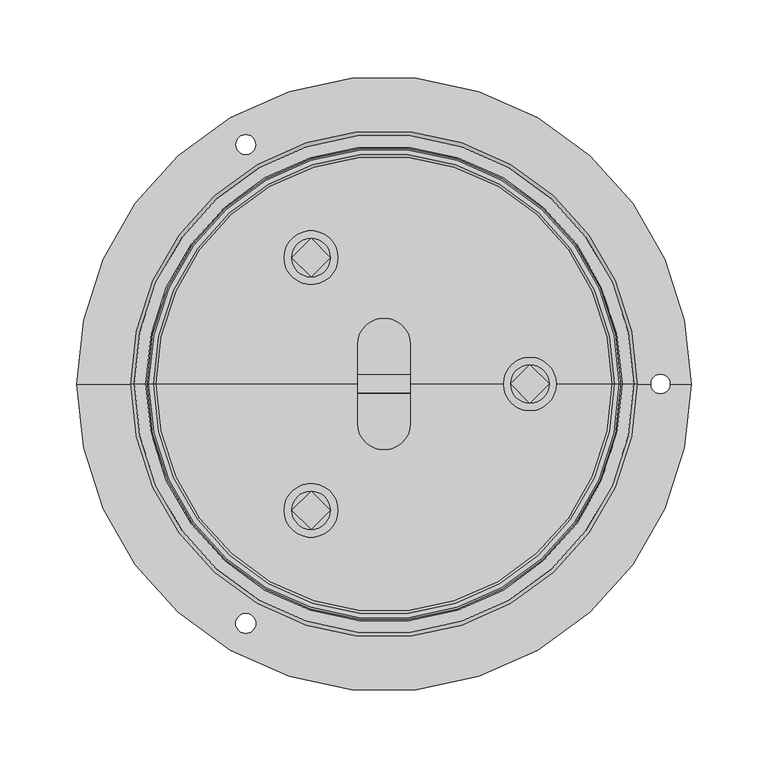
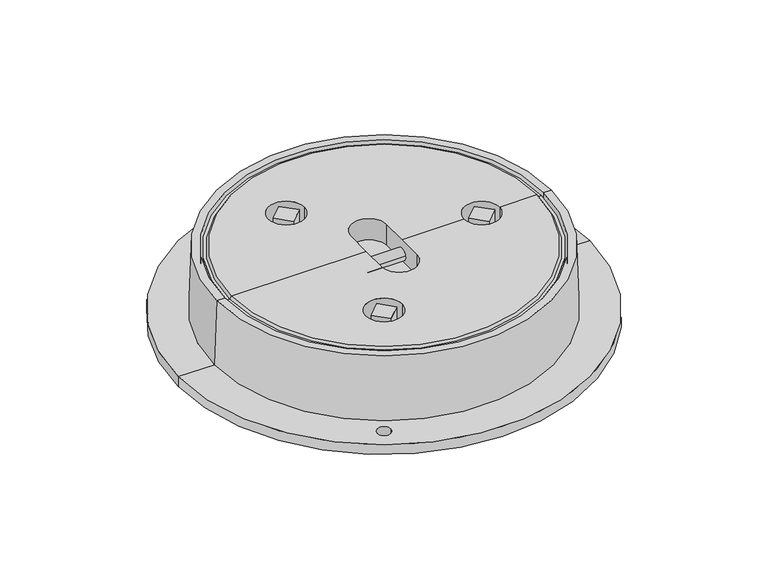
"""IFC4 building model written with IfcOpenShell, lengths in millimetres: sanitary terminal geometry."""

from ifc_helpers import new_model, si_unit, frame, origin, place, context, project, spatial, polyline, circle_curve, source, transform, mapped, element, save
from ifc_brep_helpers import plane_surface, cylinder_surface, revolved_surface, advanced_brep


def sanitary_terminal_eba70a3d(model_context):
    return source(origin(), model_context, "Body", "AdvancedBrep", [
        advanced_brep(
        [(95.0, 12.5056811, -1.0), (82.4943189, 0.0, -1.0), (95.0, -12.5056811, -1.0), (107.5056811, 0.0, -1.0), (95.0, 12.5056811, -16.0), (82.4943189, 0.0, -16.0), (95.0, -12.5056811, -16.0), (107.5056811, 0.0, -16.0), (107.5056811, 0.0, -20.0), (82.4943189, 0.0, -20.0), (106.9705935, 0.0, -20.0), (83.0294065, 0.0, -20.0), (106.9705935, 0.0, -22.0), (83.0294065, 0.0, -22.0), (103.0, 0.0, -22.0), (87.0, 0.0, -22.0), (103.0, 0.0, -76.0), (87.0, 0.0, -76.0)],
        [
            (0, 1),
            (1, 2),
            (2, 3),
            (3, 0),
            (0, 4),
            (4, 5),
            (5, 1),
            (5, 6),
            (6, 2),
            (6, 7),
            (7, 3),
            (7, 4),
            (7, 4, circle_curve(frame((95.0, 0.0, -16.0), z_axis=(0.0, 0.0, 1.0), x_axis=(-1.0, 0.0, 0.0)), 12.5056811)),
            (4, 5, circle_curve(frame((95.0, 0.0, -16.0), z_axis=(0.0, 0.0, 1.0), x_axis=(-1.0, 0.0, 0.0)), 12.5056811)),
            (5, 6, circle_curve(frame((95.0, 0.0, -16.0), z_axis=(0.0, 0.0, 1.0), x_axis=(-1.0, 0.0, 0.0)), 12.5056811)),
            (6, 7, circle_curve(frame((95.0, 0.0, -16.0), z_axis=(0.0, 0.0, 1.0), x_axis=(-1.0, 0.0, 0.0)), 12.5056811)),
            (8, 9, circle_curve(frame((95.0, 0.0, -20.0), z_axis=(0.0, 0.0, -1.0), x_axis=(-1.0, 0.0, 0.0)), 12.5056811)),
            (9, 8, circle_curve(frame((95.0, 0.0, -20.0), z_axis=(0.0, 0.0, -1.0), x_axis=(-1.0, 0.0, 0.0)), 12.5056811)),
            (10, 11, circle_curve(frame((95.0, 0.0, -20.0), z_axis=(0.0, 0.0, 1.0), x_axis=(-1.0, 0.0, 0.0)), 11.9705935)),
            (11, 10, circle_curve(frame((95.0, 0.0, -20.0), z_axis=(0.0, 0.0, 1.0), x_axis=(-1.0, 0.0, 0.0)), 11.9705935)),
            (9, 5),
            (7, 8),
            (12, 13, circle_curve(frame((95.0, 0.0, -22.0), z_axis=(0.0, 0.0, -1.0), x_axis=(-1.0, 0.0, 0.0)), 11.9705935)),
            (13, 12, circle_curve(frame((95.0, 0.0, -22.0), z_axis=(0.0, 0.0, -1.0), x_axis=(-1.0, 0.0, 0.0)), 11.9705935)),
            (14, 15, circle_curve(frame((95.0, 0.0, -22.0), z_axis=(0.0, 0.0, 1.0), x_axis=(-1.0, 0.0, 0.0)), 8.0)),
            (15, 14, circle_curve(frame((95.0, 0.0, -22.0), z_axis=(0.0, 0.0, 1.0), x_axis=(-1.0, 0.0, 0.0)), 8.0)),
            (13, 11),
            (10, 12),
            (16, 17, circle_curve(frame((95.0, 0.0, -76.0), z_axis=(0.0, 0.0, -1.0), x_axis=(-1.0, 0.0, 0.0)), 8.0)),
            (17, 16, circle_curve(frame((95.0, 0.0, -76.0), z_axis=(0.0, 0.0, -1.0), x_axis=(-1.0, 0.0, 0.0)), 8.0)),
            (17, 15),
            (14, 16),
        ],
        [
            plane_surface(frame((82.4943189, 0.0, -1.0), z_axis=(0.0, 0.0, 1.0), x_axis=(-0.7071067811865482, -0.7071067811865469, 0.0))),
            plane_surface(frame((95.0, 12.5056811, -1.0), z_axis=(-0.7071067811865469, 0.7071067811865482, 0.0), x_axis=(0.0, 0.0, -1.0))),
            plane_surface(frame((82.4943189, 0.0, -1.0), z_axis=(-0.707106781186549, -0.7071067811865461, 0.0), x_axis=(0.0, 0.0, -1.0))),
            plane_surface(frame((95.0, -12.5056811, -1.0), z_axis=(0.7071067811865469, -0.7071067811865482, 0.0), x_axis=(0.0, 0.0, -1.0))),
            plane_surface(frame((107.5056811, 0.0, -1.0), z_axis=(0.707106781186549, 0.7071067811865461, 0.0), x_axis=(0.0, 0.0, -1.0))),
            plane_surface(frame((82.4943189, 0.0, -16.0), z_axis=(0.0, 0.0, 1.0), x_axis=(0.0, -1.0, 0.0))),
            plane_surface(frame((82.4943189, 0.0, -20.0), z_axis=(0.0, 0.0, -1.0), x_axis=(0.0, 1.0, 0.0))),
            cylinder_surface(frame((95.0, 0.0, -20.0), z_axis=(0.0, 0.0, 1.0), x_axis=(-1.0, 0.0, 0.0)), 12.5056811),
            plane_surface(frame((83.0294065, 0.0, -22.0), z_axis=(0.0, 0.0, -1.0), x_axis=(0.0, 1.0, 0.0))),
            cylinder_surface(frame((95.0, 0.0, -22.0), z_axis=(0.0, 0.0, 1.0), x_axis=(-1.0, 0.0, 0.0)), 11.9705935),
            plane_surface(frame((87.0, 0.0, -76.0), z_axis=(0.0, 0.0, -1.0), x_axis=(0.0, 1.0, 0.0))),
            cylinder_surface(frame((95.0, 0.0, -76.0), z_axis=(0.0, 0.0, 1.0), x_axis=(-1.0, 0.0, 0.0)), 8.0),
        ],
        [
            (0, [[1, 2, 3, 4]]),
            (1, [[-1, 5, 6, 7]]),
            (2, [[-2, -7, 8, 9]]),
            (3, [[-3, -9, 10, 11]]),
            (4, [[-4, -11, 12, -5]]),
            (5, [[13, -12]]),
            (5, [[14, -6]]),
            (5, [[15, -8]]),
            (5, [[16, -10]]),
            (6, [[17, 18], [19, 20]]),
            (7, [[-18, 21, -14, -13, 22]]),
            (7, [[-17, -22, -16, -15, -21]]),
            (8, [[23, 24], [25, 26]]),
            (9, [[-24, 27, -19, 28]]),
            (9, [[-23, -28, -20, -27]]),
            (10, [[29, 30]]),
            (11, [[-30, 31, -25, 32]]),
            (11, [[-29, -32, -26, -31]]),
        ],
    ),
        advanced_brep(
        [(-47.4934117, 94.8020696, -1.0), (-60.0230679, 82.2724134, -1.0), (-47.4934117, 69.7427572, -1.0), (-34.9637555, 82.2724134, -1.0), (-47.4934117, 94.8020696, -16.0), (-60.0230679, 82.2724134, -16.0), (-47.4934117, 69.7427572, -16.0), (-34.9637555, 82.2724134, -16.0), (-34.9637555, 82.2724134, -20.0), (-60.0230679, 82.2724134, -20.0), (-35.4746885, 82.2724134, -20.0), (-59.5121348, 82.2724134, -20.0), (-35.4746885, 82.2724134, -22.0), (-59.5121348, 82.2724134, -22.0), (-39.5, 82.2724134, -22.0), (-55.5, 82.2724134, -22.0), (-39.5, 82.2724134, -76.0), (-55.5, 82.2724134, -76.0)],
        [
            (0, 1),
            (1, 2),
            (2, 3),
            (3, 0),
            (0, 4),
            (4, 5),
            (5, 1),
            (5, 6),
            (6, 2),
            (6, 7),
            (7, 3),
            (7, 4),
            (7, 4, circle_curve(frame((-47.4934117, 82.2724134, -16.0), z_axis=(0.0, 0.0, 1.0), x_axis=(-1.0, 0.0, 0.0)), 12.5296562)),
            (4, 5, circle_curve(frame((-47.4934117, 82.2724134, -16.0), z_axis=(0.0, 0.0, 1.0), x_axis=(-1.0, 0.0, 0.0)), 12.5296562)),
            (5, 6, circle_curve(frame((-47.4934117, 82.2724134, -16.0), z_axis=(0.0, 0.0, 1.0), x_axis=(-1.0, 0.0, 0.0)), 12.5296562)),
            (6, 7, circle_curve(frame((-47.4934117, 82.2724134, -16.0), z_axis=(0.0, 0.0, 1.0), x_axis=(-1.0, 0.0, 0.0)), 12.5296562)),
            (8, 9, circle_curve(frame((-47.4934117, 82.2724134, -20.0), z_axis=(0.0, 0.0, -1.0), x_axis=(-1.0, 0.0, 0.0)), 12.5296562)),
            (9, 8, circle_curve(frame((-47.4934117, 82.2724134, -20.0), z_axis=(0.0, 0.0, -1.0), x_axis=(-1.0, 0.0, 0.0)), 12.5296562)),
            (10, 11, circle_curve(frame((-47.4934117, 82.2724134, -20.0), z_axis=(0.0, 0.0, 1.0), x_axis=(-1.0, 0.0, 0.0)), 12.0187231)),
            (11, 10, circle_curve(frame((-47.4934117, 82.2724134, -20.0), z_axis=(0.0, 0.0, 1.0), x_axis=(-1.0, 0.0, 0.0)), 12.0187231)),
            (9, 5),
            (7, 8),
            (12, 13, circle_curve(frame((-47.4934117, 82.2724134, -22.0), z_axis=(0.0, 0.0, -1.0), x_axis=(-1.0, 0.0, 0.0)), 12.0187231)),
            (13, 12, circle_curve(frame((-47.4934117, 82.2724134, -22.0), z_axis=(0.0, 0.0, -1.0), x_axis=(-1.0, 0.0, 0.0)), 12.0187231)),
            (14, 15, circle_curve(frame((-47.5, 82.2724134, -22.0), z_axis=(0.0, 0.0, 1.0), x_axis=(-1.0, 0.0, 0.0)), 8.0)),
            (15, 14, circle_curve(frame((-47.5, 82.2724134, -22.0), z_axis=(0.0, 0.0, 1.0), x_axis=(-1.0, 0.0, 0.0)), 8.0)),
            (13, 11),
            (10, 12),
            (16, 17, circle_curve(frame((-47.5, 82.2724134, -76.0), z_axis=(0.0, 0.0, -1.0), x_axis=(-1.0, 0.0, 0.0)), 8.0)),
            (17, 16, circle_curve(frame((-47.5, 82.2724134, -76.0), z_axis=(0.0, 0.0, -1.0), x_axis=(-1.0, 0.0, 0.0)), 8.0)),
            (17, 15),
            (14, 16),
        ],
        [
            plane_surface(frame((82.4943189, 0.0, -1.0), z_axis=(0.0, 0.0, 1.0), x_axis=(-0.7071067811865482, -0.7071067811865469, 0.0))),
            plane_surface(frame((-47.4934117, 94.8020696, -1.0), z_axis=(-0.707106781186547, 0.707106781186548, 0.0), x_axis=(0.0, 0.0, -1.0))),
            plane_surface(frame((-60.0230679, 82.2724134, -1.0), z_axis=(-0.707106781186549, -0.7071067811865461, 0.0), x_axis=(0.0, 0.0, -1.0))),
            plane_surface(frame((-47.4934117, 69.7427572, -1.0), z_axis=(0.707106781186547, -0.707106781186548, 0.0), x_axis=(0.0, 0.0, -1.0))),
            plane_surface(frame((-34.9637555, 82.2724134, -1.0), z_axis=(0.707106781186549, 0.7071067811865461, 0.0), x_axis=(0.0, 0.0, -1.0))),
            plane_surface(frame((82.4943189, 0.0, -16.0), z_axis=(0.0, 0.0, 1.0), x_axis=(0.0, -1.0, 0.0))),
            plane_surface(frame((82.4943189, 0.0, -20.0), z_axis=(0.0, 0.0, -1.0), x_axis=(0.0, 1.0, 0.0))),
            cylinder_surface(frame((-47.4934117, 82.2724134, -123.0), z_axis=(0.0, 0.0, 1.0), x_axis=(-1.0, 0.0, 0.0)), 12.5296562),
            plane_surface(frame((83.0294065, 0.0, -22.0), z_axis=(0.0, 0.0, -1.0), x_axis=(0.0, 1.0, 0.0))),
            cylinder_surface(frame((-47.4934117, 82.2724134, -123.0), z_axis=(0.0, 0.0, 1.0), x_axis=(-1.0, 0.0, 0.0)), 12.0187231),
            plane_surface(frame((87.0, 0.0, -76.0), z_axis=(0.0, 0.0, -1.0), x_axis=(0.0, 1.0, 0.0))),
            cylinder_surface(frame((-47.5, 82.2724134, -123.0), z_axis=(0.0, 0.0, 1.0), x_axis=(-1.0, 0.0, 0.0)), 8.0),
        ],
        [
            (0, [[1, 2, 3, 4]]),
            (1, [[-1, 5, 6, 7]]),
            (2, [[-2, -7, 8, 9]]),
            (3, [[-3, -9, 10, 11]]),
            (4, [[-4, -11, 12, -5]]),
            (5, [[13, -12]]),
            (5, [[14, -6]]),
            (5, [[15, -8]]),
            (5, [[16, -10]]),
            (6, [[17, 18], [19, 20]]),
            (7, [[-18, 21, -14, -13, 22]]),
            (7, [[-17, -22, -16, -15, -21]]),
            (8, [[23, 24], [25, 26]]),
            (9, [[-24, 27, -19, 28]]),
            (9, [[-23, -28, -20, -27]]),
            (10, [[29, 30]]),
            (11, [[-30, 31, -25, 32]]),
            (11, [[-29, -32, -26, -31]]),
        ],
    ),
        advanced_brep(
        [(-47.5, -69.8146715, -1.0), (-59.9577419, -82.2724134, -1.0), (-47.5, -94.7301552, -1.0), (-35.0422581, -82.2724134, -1.0), (-47.5, -69.8146715, -16.0), (-59.9577419, -82.2724134, -16.0), (-47.5, -94.7301552, -16.0), (-35.0422581, -82.2724134, -16.0), (-35.0422581, -82.2724134, -20.0), (-59.9577419, -82.2724134, -20.0), (-35.48241, -82.2724134, -20.0), (-59.51759, -82.2724134, -20.0), (-35.48241, -82.2724134, -22.0), (-59.51759, -82.2724134, -22.0), (-39.5, -82.2724134, -22.0), (-55.5, -82.2724134, -22.0), (-39.5, -82.2724134, -76.0), (-55.5, -82.2724134, -76.0)],
        [
            (0, 1),
            (1, 2),
            (2, 3),
            (3, 0),
            (0, 4),
            (4, 5),
            (5, 1),
            (5, 6),
            (6, 2),
            (6, 7),
            (7, 3),
            (7, 4),
            (7, 4, circle_curve(frame((-47.5, -82.2724134, -16.0), z_axis=(0.0, 0.0, 1.0), x_axis=(-1.0, 0.0, 0.0)), 12.4577419)),
            (4, 5, circle_curve(frame((-47.5, -82.2724134, -16.0), z_axis=(0.0, 0.0, 1.0), x_axis=(-1.0, 0.0, 0.0)), 12.4577419)),
            (5, 6, circle_curve(frame((-47.5, -82.2724134, -16.0), z_axis=(0.0, 0.0, 1.0), x_axis=(-1.0, 0.0, 0.0)), 12.4577419)),
            (6, 7, circle_curve(frame((-47.5, -82.2724134, -16.0), z_axis=(0.0, 0.0, 1.0), x_axis=(-1.0, 0.0, 0.0)), 12.4577419)),
            (8, 9, circle_curve(frame((-47.5, -82.2724134, -20.0), z_axis=(0.0, 0.0, -1.0), x_axis=(-1.0, 0.0, 0.0)), 12.4577419)),
            (9, 8, circle_curve(frame((-47.5, -82.2724134, -20.0), z_axis=(0.0, 0.0, -1.0), x_axis=(-1.0, 0.0, 0.0)), 12.4577419)),
            (10, 11, circle_curve(frame((-47.5, -82.2724134, -20.0), z_axis=(0.0, 0.0, 1.0), x_axis=(-1.0, 0.0, 0.0)), 12.01759)),
            (11, 10, circle_curve(frame((-47.5, -82.2724134, -20.0), z_axis=(0.0, 0.0, 1.0), x_axis=(-1.0, 0.0, 0.0)), 12.01759)),
            (9, 5),
            (7, 8),
            (12, 13, circle_curve(frame((-47.5, -82.2724134, -22.0), z_axis=(0.0, 0.0, -1.0), x_axis=(-1.0, 0.0, 0.0)), 12.01759)),
            (13, 12, circle_curve(frame((-47.5, -82.2724134, -22.0), z_axis=(0.0, 0.0, -1.0), x_axis=(-1.0, 0.0, 0.0)), 12.01759)),
            (14, 15, circle_curve(frame((-47.5, -82.2724134, -22.0), z_axis=(0.0, 0.0, 1.0), x_axis=(-1.0, 0.0, 0.0)), 8.0)),
            (15, 14, circle_curve(frame((-47.5, -82.2724134, -22.0), z_axis=(0.0, 0.0, 1.0), x_axis=(-1.0, 0.0, 0.0)), 8.0)),
            (13, 11),
            (10, 12),
            (16, 17, circle_curve(frame((-47.5, -82.2724134, -76.0), z_axis=(0.0, 0.0, -1.0), x_axis=(-1.0, 0.0, 0.0)), 8.0)),
            (17, 16, circle_curve(frame((-47.5, -82.2724134, -76.0), z_axis=(0.0, 0.0, -1.0), x_axis=(-1.0, 0.0, 0.0)), 8.0)),
            (17, 15),
            (14, 16),
        ],
        [
            plane_surface(frame((82.4943189, 0.0, -1.0), z_axis=(0.0, 0.0, 1.0), x_axis=(-0.7071067811865482, -0.7071067811865469, 0.0))),
            plane_surface(frame((-47.5, -69.8146715, -1.0), z_axis=(-0.707106781186547, 0.707106781186548, 0.0), x_axis=(0.0, 0.0, -1.0))),
            plane_surface(frame((-59.9577419, -82.2724134, -1.0), z_axis=(-0.707106781186549, -0.7071067811865461, 0.0), x_axis=(0.0, 0.0, -1.0))),
            plane_surface(frame((-47.5, -94.7301552, -1.0), z_axis=(0.707106781186547, -0.707106781186548, 0.0), x_axis=(0.0, 0.0, -1.0))),
            plane_surface(frame((-35.0422581, -82.2724134, -1.0), z_axis=(0.707106781186549, 0.7071067811865461, 0.0), x_axis=(0.0, 0.0, -1.0))),
            plane_surface(frame((82.4943189, 0.0, -16.0), z_axis=(0.0, 0.0, 1.0), x_axis=(0.0, -1.0, 0.0))),
            plane_surface(frame((82.4943189, 0.0, -20.0), z_axis=(0.0, 0.0, -1.0), x_axis=(0.0, 1.0, 0.0))),
            cylinder_surface(frame((-47.5, -82.2724134, -123.0), z_axis=(0.0, 0.0, 1.0), x_axis=(-1.0, 0.0, 0.0)), 12.4577419),
            plane_surface(frame((83.0294065, 0.0, -22.0), z_axis=(0.0, 0.0, -1.0), x_axis=(0.0, 1.0, 0.0))),
            cylinder_surface(frame((-47.5, -82.2724134, -123.0), z_axis=(0.0, 0.0, 1.0), x_axis=(-1.0, 0.0, 0.0)), 12.01759),
            plane_surface(frame((87.0, 0.0, -76.0), z_axis=(0.0, 0.0, -1.0), x_axis=(0.0, 1.0, 0.0))),
            cylinder_surface(frame((-47.5, -82.2724134, -123.0), z_axis=(0.0, 0.0, 1.0), x_axis=(-1.0, 0.0, 0.0)), 8.0),
        ],
        [
            (0, [[1, 2, 3, 4]]),
            (1, [[-1, 5, 6, 7]]),
            (2, [[-2, -7, 8, 9]]),
            (3, [[-3, -9, 10, 11]]),
            (4, [[-4, -11, 12, -5]]),
            (5, [[13, -12]]),
            (5, [[14, -6]]),
            (5, [[15, -8]]),
            (5, [[16, -10]]),
            (6, [[17, 18], [19, 20]]),
            (7, [[-18, 21, -14, -13, 22]]),
            (7, [[-17, -22, -16, -15, -21]]),
            (8, [[23, 24], [25, 26]]),
            (9, [[-24, 27, -19, 28]]),
            (9, [[-23, -28, -20, -27]]),
            (10, [[29, 30]]),
            (11, [[-30, 31, -25, 32]]),
            (11, [[-29, -32, -26, -31]]),
        ],
    ),
        advanced_brep(
        [(200.0, 0.0, -65.0), (-200.0, 0.0, -65.0), (-165.0, 0.0, -65.0), (165.0, 0.0, -65.0), (173.5293821, 0.0, -65.0), (186.4706179, 0.0, -65.0), (-96.4573888, 155.8845727, -65.0), (-83.5426112, 155.8845727, -65.0), (-96.4967163, -155.8845727, -65.0), (-83.5032837, -155.8845727, -65.0), (200.0, 0.0, -75.0), (-200.0, 0.0, -75.0), (186.4706179, 0.0, -75.0), (173.5293821, 0.0, -75.0), (157.5, 0.0, -75.0), (-157.5, 0.0, -75.0), (-83.5426112, 155.8845727, -75.0), (-96.4573888, 155.8845727, -75.0), (-83.5032837, -155.8845727, -75.0), (-96.4967163, -155.8845727, -75.0), (157.5, 0.0, -44.0), (-157.5, 0.0, -44.0), (125.0, 0.0, -44.0), (-125.0, 0.0, -44.0), (125.0, 0.0, -30.0), (-125.0, 0.0, -30.0), (154.1444255, 0.0, -30.0), (-154.1444255, 0.0, -30.0), (155.0, 0.0, 0.0), (-155.0, 0.0, 0.0), (162.5, 0.0, 0.0), (-162.5, 0.0, 0.0)],
        [
            (0, 1, circle_curve(frame((0.0, 0.0, -65.0), z_axis=(0.0, 0.0, 1.0), x_axis=(-1.0, 0.0, 0.0)), 200.0)),
            (1, 2),
            (2, 3, circle_curve(frame((0.0, 0.0, -65.0), z_axis=(0.0, 0.0, -1.0), x_axis=(-1.0, 0.0, 0.0)), 165.0)),
            (3, 4),
            (4, 5, circle_curve(frame((180.0, 0.0, -65.0), z_axis=(0.0, 0.0, -1.0), x_axis=(-1.0, 0.0, 0.0)), 6.4706179)),
            (5, 0),
            (6, 7, circle_curve(frame((-90.0, 155.8845727, -65.0), z_axis=(0.0, 0.0, -1.0), x_axis=(-1.0, 0.0, 0.0)), 6.4573888)),
            (7, 6, circle_curve(frame((-90.0, 155.8845727, -65.0), z_axis=(0.0, 0.0, -1.0), x_axis=(-1.0, 0.0, 0.0)), 6.4573888)),
            (1, 0, circle_curve(frame((0.0, 0.0, -65.0), z_axis=(0.0, 0.0, 1.0), x_axis=(-1.0, 0.0, 0.0)), 200.0)),
            (5, 4, circle_curve(frame((180.0, 0.0, -65.0), z_axis=(0.0, 0.0, -1.0), x_axis=(-1.0, 0.0, 0.0)), 6.4706179)),
            (3, 2, circle_curve(frame((0.0, 0.0, -65.0), z_axis=(0.0, 0.0, -1.0), x_axis=(-1.0, 0.0, 0.0)), 165.0)),
            (8, 9, circle_curve(frame((-90.0, -155.8845727, -65.0), z_axis=(0.0, 0.0, -1.0), x_axis=(-1.0, 0.0, 0.0)), 6.4967163)),
            (9, 8, circle_curve(frame((-90.0, -155.8845727, -65.0), z_axis=(0.0, 0.0, -1.0), x_axis=(-1.0, 0.0, 0.0)), 6.4967163)),
            (0, 10),
            (10, 11, circle_curve(frame((0.0, 0.0, -75.0), z_axis=(0.0, 0.0, 1.0), x_axis=(-1.0, 0.0, 0.0)), 200.0)),
            (11, 1),
            (11, 10, circle_curve(frame((0.0, 0.0, -75.0), z_axis=(0.0, 0.0, 1.0), x_axis=(-1.0, 0.0, 0.0)), 200.0)),
            (10, 12),
            (12, 13, circle_curve(frame((180.0, 0.0, -75.0), z_axis=(0.0, 0.0, 1.0), x_axis=(-1.0, 0.0, 0.0)), 6.4706179)),
            (13, 14),
            (14, 15, circle_curve(frame((0.0, 0.0, -75.0), z_axis=(0.0, 0.0, 1.0), x_axis=(-1.0, 0.0, 0.0)), 157.5)),
            (15, 11),
            (16, 17, circle_curve(frame((-90.0, 155.8845727, -75.0), z_axis=(0.0, 0.0, 1.0), x_axis=(-1.0, 0.0, 0.0)), 6.4573888)),
            (17, 16, circle_curve(frame((-90.0, 155.8845727, -75.0), z_axis=(0.0, 0.0, 1.0), x_axis=(-1.0, 0.0, 0.0)), 6.4573888)),
            (15, 14, circle_curve(frame((0.0, 0.0, -75.0), z_axis=(0.0, 0.0, 1.0), x_axis=(-1.0, 0.0, 0.0)), 157.5)),
            (13, 12, circle_curve(frame((180.0, 0.0, -75.0), z_axis=(0.0, 0.0, 1.0), x_axis=(-1.0, 0.0, 0.0)), 6.4706179)),
            (18, 19, circle_curve(frame((-90.0, -155.8845727, -75.0), z_axis=(0.0, 0.0, 1.0), x_axis=(-1.0, 0.0, 0.0)), 6.4967163)),
            (19, 18, circle_curve(frame((-90.0, -155.8845727, -75.0), z_axis=(0.0, 0.0, 1.0), x_axis=(-1.0, 0.0, 0.0)), 6.4967163)),
            (14, 20),
            (20, 21, circle_curve(frame((0.0, 0.0, -44.0), z_axis=(0.0, 0.0, 1.0), x_axis=(-1.0, 0.0, 0.0)), 157.5)),
            (21, 15),
            (21, 20, circle_curve(frame((0.0, 0.0, -44.0), z_axis=(0.0, 0.0, 1.0), x_axis=(-1.0, 0.0, 0.0)), 157.5)),
            (20, 22),
            (22, 23, circle_curve(frame((0.0, 0.0, -44.0), z_axis=(0.0, 0.0, 1.0), x_axis=(-1.0, 0.0, 0.0)), 125.0)),
            (23, 21),
            (23, 22, circle_curve(frame((0.0, 0.0, -44.0), z_axis=(0.0, 0.0, 1.0), x_axis=(-1.0, 0.0, 0.0)), 125.0)),
            (22, 24),
            (24, 25, circle_curve(frame((0.0, 0.0, -30.0), z_axis=(0.0, 0.0, 1.0), x_axis=(-1.0, 0.0, 0.0)), 125.0)),
            (25, 23),
            (25, 24, circle_curve(frame((0.0, 0.0, -30.0), z_axis=(0.0, 0.0, 1.0), x_axis=(-1.0, 0.0, 0.0)), 125.0)),
            (24, 26),
            (26, 27, circle_curve(frame((0.0, 0.0, -30.0), z_axis=(0.0, 0.0, 1.0), x_axis=(-1.0, 0.0, 0.0)), 154.1444255)),
            (27, 25),
            (27, 26, circle_curve(frame((0.0, 0.0, -30.0), z_axis=(0.0, 0.0, 1.0), x_axis=(-1.0, 0.0, 0.0)), 154.1444255)),
            (26, 28),
            (28, 29, circle_curve(frame((0.0, 0.0, 0.0), z_axis=(0.0, 0.0, 1.0), x_axis=(-1.0, 0.0, 0.0)), 155.0)),
            (29, 27),
            (29, 28, circle_curve(frame((0.0, 0.0, 0.0), z_axis=(0.0, 0.0, 1.0), x_axis=(-1.0, 0.0, 0.0)), 155.0)),
            (28, 30),
            (30, 31, circle_curve(frame((0.0, 0.0, 0.0), z_axis=(0.0, 0.0, 1.0), x_axis=(-1.0, 0.0, 0.0)), 162.5)),
            (31, 29),
            (31, 30, circle_curve(frame((0.0, 0.0, 0.0), z_axis=(0.0, 0.0, 1.0), x_axis=(-1.0, 0.0, 0.0)), 162.5)),
            (2, 31),
            (30, 3),
            (4, 13),
            (12, 5),
            (6, 17),
            (16, 7),
            (8, 19),
            (18, 9),
        ],
        [
            plane_surface(frame((0.0, 0.0, -65.0), z_axis=(0.0, 0.0, 1.0), x_axis=(-1.0, 0.0, 0.0))),
            cylinder_surface(frame((0.0, 0.0, 0.0), z_axis=(0.0, 0.0, -1.0), x_axis=(-1.0, 0.0, 0.0)), 200.0),
            plane_surface(frame((0.0, 0.0, -75.0), z_axis=(0.0, 0.0, -1.0), x_axis=(-1.0, 0.0, 0.0))),
            revolved_surface(polyline([(-157.5, 0.0, -75.0), (-157.5, 0.0, -44.0)]), (0.0, 0.0, 0.0), (0.0, 0.0, -1.0)),
            plane_surface(frame((0.0, 0.0, -44.0), z_axis=(0.0, 0.0, -1.0), x_axis=(-1.0, 0.0, 0.0))),
            revolved_surface(polyline([(-125.0, 0.0, -44.0), (-125.0, 0.0, -30.0)]), (0.0, 0.0, 0.0), (0.0, 0.0, -1.0)),
            plane_surface(frame((0.0, 0.0, -30.0), z_axis=(0.0, 0.0, 1.0), x_axis=(-1.0, 0.0, 0.0))),
            revolved_surface(polyline([(-154.1444255, 0.0, -30.0), (-155.0, 0.0, 0.0)]), (0.0, 0.0, 0.0), (0.0, 0.0, -1.0)),
            plane_surface(frame((0.0, 0.0, 0.0), z_axis=(0.0, 0.0, 1.0), x_axis=(-1.0, 0.0, 0.0))),
            revolved_surface(polyline([(-162.5, 0.0, 0.0), (-165.0, 0.0, -65.0)]), (0.0, 0.0, 0.0), (0.0, 0.0, -1.0)),
            revolved_surface(polyline([(173.5293821, 0.0, -65.0), (173.5293821, 0.0, -75.0)]), (180.0, 0.0, -75.0), (0.0, 0.0, 1.0)),
            revolved_surface(polyline([(-96.4573888, 155.8845727, -65.0), (-96.4573888, 155.8845727, -75.0)]), (-90.0, 155.8845727, -123.0), (0.0, 0.0, 1.0)),
            revolved_surface(polyline([(-96.4967163, -155.8845727, -65.0), (-96.4967163, -155.8845727, -75.0)]), (-90.0, -155.8845727, -123.0), (0.0, 0.0, 1.0)),
        ],
        [
            (0, [[1, 2, 3, 4, 5, 6], [7, 8]]),
            (0, [[-2, 9, -6, 10, -4, 11], [12, 13]]),
            (1, [[-1, 14, 15, 16]]),
            (1, [[-9, -16, 17, -14]]),
            (2, [[-15, 18, 19, 20, 21, 22], [23, 24]]),
            (2, [[-17, -22, 25, -20, 26, -18], [27, 28]]),
            (3, [[-21, 29, 30, 31]]),
            (3, [[-25, -31, 32, -29]]),
            (4, [[-30, 33, 34, 35]]),
            (4, [[-32, -35, 36, -33]]),
            (5, [[-34, 37, 38, 39]]),
            (5, [[-36, -39, 40, -37]]),
            (6, [[-38, 41, 42, 43]]),
            (6, [[-40, -43, 44, -41]]),
            (7, [[-42, 45, 46, 47]]),
            (7, [[-44, -47, 48, -45]]),
            (8, [[-46, 49, 50, 51]]),
            (8, [[-48, -51, 52, -49]]),
            (9, [[-3, 53, -50, 54]]),
            (9, [[-11, -54, -52, -53]]),
            (10, [[55, -19, 56, -5]]),
            (10, [[-55, -10, -56, -26]]),
            (11, [[57, -23, 58, -7]]),
            (11, [[-57, -8, -58, -24]]),
            (12, [[59, -27, 60, -12]]),
            (12, [[-59, -13, -60, -28]]),
        ],
    ),
        advanced_brep(
        [(150.0, 0.0, -2.5), (-150.0, 0.0, -2.5), (-148.5, 0.0, 0.0), (148.5, 0.0, 0.0), (153.0, 0.0, -2.5), (-153.0, 0.0, -2.5), (152.5, 0.0, -7.5), (-152.5, 0.0, -7.5), (150.0, 0.0, -7.5), (-150.0, 0.0, -7.5), (149.0, 0.0, -30.0), (-149.0, 0.0, -30.0), (103.0220833, 0.0, -30.0), (86.9779167, 0.0, -30.0), (0.0, 0.0, -30.0), (-39.4868233, 82.2724134, -30.0), (-55.5131767, 82.2724134, -30.0), (-39.4890519, -82.2724134, -30.0), (-55.5109481, -82.2724134, -30.0), (-17.5, 0.0, 0.0), (-17.5, 25.5, 0.0), (17.5, 25.5, 0.0), (17.5, 0.0, 0.0), (77.5, 0.0, 0.0), (112.5, 0.0, 0.0), (-65.0, 82.2724134, 0.0), (-30.0, 82.2724134, 0.0), (17.5, -25.5, 0.0), (-17.5, -25.5, 0.0), (-65.0, -82.2724134, 0.0), (-30.0, -82.2724134, 0.0), (-17.5, -25.5, -22.0), (17.5, -25.5, -22.0), (17.5, 25.5, -22.0), (-17.5, 25.5, -22.0), (112.5, 0.0, -22.0), (77.5, 0.0, -22.0), (86.9779167, 0.0, -22.0), (103.0220833, 0.0, -22.0), (-30.0, 82.2724134, -22.0), (-65.0, 82.2724134, -22.0), (-55.5131767, 82.2724134, -22.0), (-39.4868233, 82.2724134, -22.0), (-30.0, -82.2724134, -22.0), (-65.0, -82.2724134, -22.0), (-55.5109481, -82.2724134, -22.0), (-39.4890519, -82.2724134, -22.0), (17.5, 5.7527641, -16.5414485), (17.5, -5.7527641, -13.4585515), (-17.5, -5.7527641, -13.4585515), (-17.5, 5.7527641, -16.5414485)],
        [
            (0, 1, circle_curve(frame((0.0, 0.0, -2.5), z_axis=(0.0, 0.0, 1.0), x_axis=(-1.0, 0.0, 0.0)), 150.0)),
            (1, 2),
            (2, 3, circle_curve(frame((0.0, 0.0, 0.0), z_axis=(0.0, 0.0, -1.0), x_axis=(-1.0, 0.0, 0.0)), 148.5)),
            (3, 0),
            (1, 0, circle_curve(frame((0.0, 0.0, -2.5), z_axis=(0.0, 0.0, 1.0), x_axis=(-1.0, 0.0, 0.0)), 150.0)),
            (3, 2, circle_curve(frame((0.0, 0.0, 0.0), z_axis=(0.0, 0.0, -1.0), x_axis=(-1.0, 0.0, 0.0)), 148.5)),
            (0, 4),
            (4, 5, circle_curve(frame((0.0, 0.0, -2.5), z_axis=(0.0, 0.0, 1.0), x_axis=(-1.0, 0.0, 0.0)), 153.0)),
            (5, 1),
            (5, 4, circle_curve(frame((0.0, 0.0, -2.5), z_axis=(0.0, 0.0, 1.0), x_axis=(-1.0, 0.0, 0.0)), 153.0)),
            (4, 6),
            (6, 7, circle_curve(frame((0.0, 0.0, -7.5), z_axis=(0.0, 0.0, 1.0), x_axis=(-1.0, 0.0, 0.0)), 152.5)),
            (7, 5),
            (7, 6, circle_curve(frame((0.0, 0.0, -7.5), z_axis=(0.0, 0.0, 1.0), x_axis=(-1.0, 0.0, 0.0)), 152.5)),
            (6, 8),
            (8, 9, circle_curve(frame((0.0, 0.0, -7.5), z_axis=(0.0, 0.0, 1.0), x_axis=(-1.0, 0.0, 0.0)), 150.0)),
            (9, 7),
            (9, 8, circle_curve(frame((0.0, 0.0, -7.5), z_axis=(0.0, 0.0, 1.0), x_axis=(-1.0, 0.0, 0.0)), 150.0)),
            (8, 10),
            (10, 11, circle_curve(frame((0.0, 0.0, -30.0), z_axis=(0.0, 0.0, 1.0), x_axis=(-1.0, 0.0, 0.0)), 149.0)),
            (11, 9),
            (11, 10, circle_curve(frame((0.0, 0.0, -30.0), z_axis=(0.0, 0.0, 1.0), x_axis=(-1.0, 0.0, 0.0)), 149.0)),
            (10, 12),
            (12, 13, circle_curve(frame((95.0, 0.0, -30.0), z_axis=(0.0, 0.0, 1.0), x_axis=(-1.0, 0.0, 0.0)), 8.0220833)),
            (13, 14),
            (14, 11),
            (15, 16, circle_curve(frame((-47.5, 82.2724134, -30.0), z_axis=(0.0, 0.0, 1.0), x_axis=(-1.0, 0.0, 0.0)), 8.0131767)),
            (16, 15, circle_curve(frame((-47.5, 82.2724134, -30.0), z_axis=(0.0, 0.0, 1.0), x_axis=(-1.0, 0.0, 0.0)), 8.0131767)),
            (13, 12, circle_curve(frame((95.0, 0.0, -30.0), z_axis=(0.0, 0.0, 1.0), x_axis=(-1.0, 0.0, 0.0)), 8.0220833)),
            (17, 18, circle_curve(frame((-47.5, -82.2724134, -30.0), z_axis=(0.0, 0.0, 1.0), x_axis=(-1.0, 0.0, 0.0)), 8.0109481)),
            (18, 17, circle_curve(frame((-47.5, -82.2724134, -30.0), z_axis=(0.0, 0.0, 1.0), x_axis=(-1.0, 0.0, 0.0)), 8.0109481)),
            (2, 19),
            (19, 20),
            (20, 21, circle_curve(frame((0.0, 25.5, 0.0), z_axis=(0.0, 0.0, -1.0), x_axis=(-1.0, 0.0, 0.0)), 17.5)),
            (21, 22),
            (22, 23),
            (23, 24, circle_curve(frame((95.0, 0.0, 0.0), z_axis=(0.0, 0.0, -1.0), x_axis=(-1.0, 0.0, 0.0)), 17.5)),
            (24, 3),
            (25, 26, circle_curve(frame((-47.5, 82.2724134, 0.0), z_axis=(0.0, 0.0, -1.0), x_axis=(-1.0, 0.0, 0.0)), 17.5)),
            (26, 25, circle_curve(frame((-47.5, 82.2724134, 0.0), z_axis=(0.0, 0.0, -1.0), x_axis=(-1.0, 0.0, 0.0)), 17.5)),
            (24, 23, circle_curve(frame((95.0, 0.0, 0.0), z_axis=(0.0, 0.0, -1.0), x_axis=(-1.0, 0.0, 0.0)), 17.5)),
            (22, 27),
            (27, 28, circle_curve(frame((0.0, -25.5, 0.0), z_axis=(0.0, 0.0, -1.0), x_axis=(-1.0, 0.0, 0.0)), 17.5)),
            (28, 19),
            (29, 30, circle_curve(frame((-47.5, -82.2724134, 0.0), z_axis=(0.0, 0.0, -1.0), x_axis=(-1.0, 0.0, 0.0)), 17.5)),
            (30, 29, circle_curve(frame((-47.5, -82.2724134, 0.0), z_axis=(0.0, 0.0, -1.0), x_axis=(-1.0, 0.0, 0.0)), 17.5)),
            (31, 32, circle_curve(frame((0.0, -25.5, -22.0), z_axis=(0.0, 0.0, 1.0), x_axis=(-1.0, 0.0, 0.0)), 17.5)),
            (32, 33),
            (33, 34, circle_curve(frame((0.0, 25.5, -22.0), z_axis=(0.0, 0.0, 1.0), x_axis=(-1.0, 0.0, 0.0)), 17.5)),
            (34, 31),
            (35, 36, circle_curve(frame((95.0, 0.0, -22.0), z_axis=(0.0, 0.0, 1.0), x_axis=(-1.0, 0.0, 0.0)), 17.5)),
            (36, 35, circle_curve(frame((95.0, 0.0, -22.0), z_axis=(0.0, 0.0, 1.0), x_axis=(-1.0, 0.0, 0.0)), 17.5)),
            (37, 38, circle_curve(frame((95.0, 0.0, -22.0), z_axis=(0.0, 0.0, -1.0), x_axis=(-1.0, 0.0, 0.0)), 8.0220833)),
            (38, 37, circle_curve(frame((95.0, 0.0, -22.0), z_axis=(0.0, 0.0, -1.0), x_axis=(-1.0, 0.0, 0.0)), 8.0220833)),
            (39, 40, circle_curve(frame((-47.5, 82.2724134, -22.0), z_axis=(0.0, 0.0, 1.0), x_axis=(-1.0, 0.0, 0.0)), 17.5)),
            (40, 39, circle_curve(frame((-47.5, 82.2724134, -22.0), z_axis=(0.0, 0.0, 1.0), x_axis=(-1.0, 0.0, 0.0)), 17.5)),
            (41, 42, circle_curve(frame((-47.5, 82.2724134, -22.0), z_axis=(0.0, 0.0, -1.0), x_axis=(-1.0, 0.0, 0.0)), 8.0131767)),
            (42, 41, circle_curve(frame((-47.5, 82.2724134, -22.0), z_axis=(0.0, 0.0, -1.0), x_axis=(-1.0, 0.0, 0.0)), 8.0131767)),
            (43, 44, circle_curve(frame((-47.5, -82.2724134, -22.0), z_axis=(0.0, 0.0, 1.0), x_axis=(-1.0, 0.0, 0.0)), 17.5)),
            (44, 43, circle_curve(frame((-47.5, -82.2724134, -22.0), z_axis=(0.0, 0.0, 1.0), x_axis=(-1.0, 0.0, 0.0)), 17.5)),
            (45, 46, circle_curve(frame((-47.5, -82.2724134, -22.0), z_axis=(0.0, 0.0, -1.0), x_axis=(-1.0, 0.0, 0.0)), 8.0109481)),
            (46, 45, circle_curve(frame((-47.5, -82.2724134, -22.0), z_axis=(0.0, 0.0, -1.0), x_axis=(-1.0, 0.0, 0.0)), 8.0109481)),
            (31, 28),
            (27, 32),
            (21, 33),
            (47, 48, circle_curve(frame((17.5, 0.0, -15.0), z_axis=(1.0, 0.0, 0.0), x_axis=(0.0, -0.9659258262890675, 0.2588190451025236)), 5.9556996)),
            (48, 47, circle_curve(frame((17.5, 0.0, -15.0), z_axis=(1.0, 0.0, 0.0), x_axis=(0.0, -0.9659258262890675, 0.2588190451025236)), 5.9556996)),
            (20, 34),
            (49, 50, circle_curve(frame((-17.5, 0.0, -15.0), z_axis=(-1.0, 0.0, 0.0), x_axis=(0.0, -0.9659258262890675, 0.2588190451025236)), 5.9556996)),
            (50, 49, circle_curve(frame((-17.5, 0.0, -15.0), z_axis=(-1.0, 0.0, 0.0), x_axis=(0.0, -0.9659258262890675, 0.2588190451025236)), 5.9556996)),
            (35, 24),
            (23, 36),
            (39, 26),
            (25, 40),
            (43, 30),
            (29, 44),
            (37, 13),
            (12, 38),
            (41, 16),
            (15, 42),
            (45, 18),
            (17, 46),
            (47, 50),
            (49, 48),
        ],
        [
            revolved_surface(polyline([(-148.5, 0.0, 0.0), (-150.0, 0.0, -2.5)]), (0.0, 0.0, 0.0), (0.0, 0.0, -1.0)),
            plane_surface(frame((0.0, 0.0, -2.5), z_axis=(0.0, 0.0, 1.0), x_axis=(-1.0, 0.0, 0.0))),
            revolved_surface(polyline([(-153.0, 0.0, -2.5), (-152.5, 0.0, -7.5)]), (0.0, 0.0, 0.0), (0.0, 0.0, -1.0)),
            plane_surface(frame((0.0, 0.0, -7.5), z_axis=(0.0, 0.0, -1.0), x_axis=(-1.0, 0.0, 0.0))),
            revolved_surface(polyline([(-150.0, 0.0, -7.5), (-149.0, 0.0, -30.0)]), (0.0, 0.0, 0.0), (0.0, 0.0, -1.0)),
            plane_surface(frame((0.0, 0.0, -30.0), z_axis=(0.0, 0.0, -1.0), x_axis=(-1.0, 0.0, 0.0))),
            plane_surface(frame((0.0, 0.0, 0.0), z_axis=(0.0, 0.0, 1.0), x_axis=(-1.0, 0.0, 0.0))),
            plane_surface(frame((-17.5, -25.5, -22.0), z_axis=(0.0, 0.0, 1.0), x_axis=(0.0, 1.0, 0.0))),
            revolved_surface(polyline([(-17.5, -25.5, 0.0), (-17.5, -25.5, -22.0)]), (0.0, -25.5, -22.0), (0.0, 0.0, 1.0)),
            plane_surface(frame((17.5, -25.5, 0.0), z_axis=(-1.0, 0.0, 0.0), x_axis=(0.0, 0.0, -1.0))),
            revolved_surface(polyline([(-17.5, 25.5, 0.0), (-17.5, 25.5, -22.0)]), (0.0, 25.5, -22.0), (0.0, 0.0, 1.0)),
            plane_surface(frame((-17.5, 25.5, 0.0), z_axis=(1.0, 0.0, 0.0), x_axis=(0.0, 0.0, -1.0))),
            revolved_surface(polyline([(77.5, 0.0, 0.0), (77.5, 0.0, -22.0)]), (95.0, 0.0, -123.0), (0.0, 0.0, 1.0)),
            revolved_surface(polyline([(-65.0, 82.2724134, 0.0), (-65.0, 82.2724134, -22.0)]), (-47.5, 82.2724134, -123.0), (0.0, 0.0, 1.0)),
            revolved_surface(polyline([(-65.0, -82.2724134, 0.0), (-65.0, -82.2724134, -22.0)]), (-47.5, -82.2724134, -123.0), (0.0, 0.0, 1.0)),
            revolved_surface(polyline([(86.9779167, 0.0, -22.0), (86.9779167, 0.0, -30.0)]), (95.0, 0.0, -30.0), (0.0, 0.0, 1.0)),
            revolved_surface(polyline([(-55.5131767, 82.2724134, -22.0), (-55.5131767, 82.2724134, -30.0)]), (-47.5, 82.2724134, -123.0), (0.0, 0.0, 1.0)),
            revolved_surface(polyline([(-55.5109481, -82.2724134, -22.0), (-55.5109481, -82.2724134, -30.0)]), (-47.5, -82.2724134, -123.0), (0.0, 0.0, 1.0)),
            cylinder_surface(frame((-17.5, 0.0, -15.0), z_axis=(1.0, 0.0, 0.0), x_axis=(0.0, -0.9659258262890675, 0.2588190451025236)), 5.9556996),
        ],
        [
            (0, [[1, 2, 3, 4]]),
            (0, [[-2, 5, -4, 6]]),
            (1, [[-1, 7, 8, 9]]),
            (1, [[-5, -9, 10, -7]]),
            (2, [[-8, 11, 12, 13]]),
            (2, [[-10, -13, 14, -11]]),
            (3, [[-12, 15, 16, 17]]),
            (3, [[-14, -17, 18, -15]]),
            (4, [[-16, 19, 20, 21]]),
            (4, [[-18, -21, 22, -19]]),
            (5, [[-20, 23, 24, 25, 26], [27, 28]]),
            (5, [[-22, -26, -25, 29, -23], [30, 31]]),
            (6, [[-3, 32, 33, 34, 35, 36, 37, 38], [39, 40]]),
            (6, [[-6, -38, 41, -36, 42, 43, 44, -32], [45, 46]]),
            (7, [[47, 48, 49, 50]]),
            (7, [[51, 52], [53, 54]]),
            (7, [[55, 56], [57, 58]]),
            (7, [[59, 60], [61, 62]]),
            (8, [[-47, 63, -43, 64]]),
            (9, [[-48, -64, -42, -35, 65], [66, 67]]),
            (10, [[-49, -65, -34, 68]]),
            (11, [[-50, -68, -33, -44, -63], [69, 70]]),
            (12, [[-51, 71, -37, 72]]),
            (12, [[-52, -72, -41, -71]]),
            (13, [[-55, 73, -39, 74]]),
            (13, [[-56, -74, -40, -73]]),
            (14, [[-59, 75, -45, 76]]),
            (14, [[-60, -76, -46, -75]]),
            (15, [[77, -24, 78, -53]]),
            (15, [[-77, -54, -78, -29]]),
            (16, [[79, -27, 80, -57]]),
            (16, [[-79, -58, -80, -28]]),
            (17, [[81, -30, 82, -61]]),
            (17, [[-81, -62, -82, -31]]),
            (18, [[83, -69, 84, -66]]),
            (18, [[-83, -67, -84, -70]]),
        ],
    ),
    ])


if __name__ == "__main__":
    model = new_model("IFC4")
    model_context = context("Model", 3, world=origin())
    ifc_project = project(units=[si_unit("LENGTHUNIT", "METRE", prefix="MILLI")], contexts=[model_context])
    site = spatial("IfcSite", under=ifc_project)
    building = spatial("IfcBuilding", under=site)
    placement = place(None, origin())
    sanitary_terminal_shape = sanitary_terminal_eba70a3d(model_context)
    element("IfcSanitaryTerminal", 1, at=placement, inside=building, context=model_context, shape_type="MappedRepresentation", body=[
        mapped(sanitary_terminal_shape, transform((0.0, 0.0, 0.0), x_axis=(1.0, 0.0, 0.0), y_axis=(0.0, 1.0, 0.0), z_axis=(0.0, 0.0, 1.0))),
    ])
    save(model, "model.ifc")
